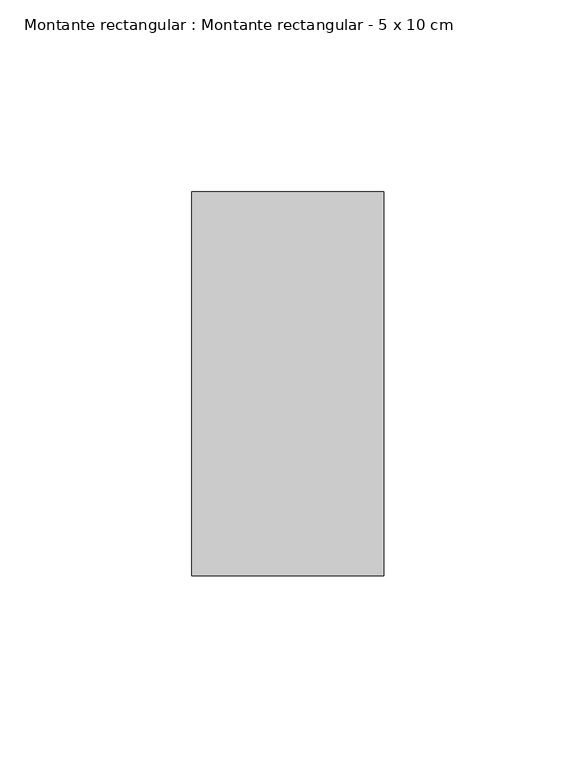
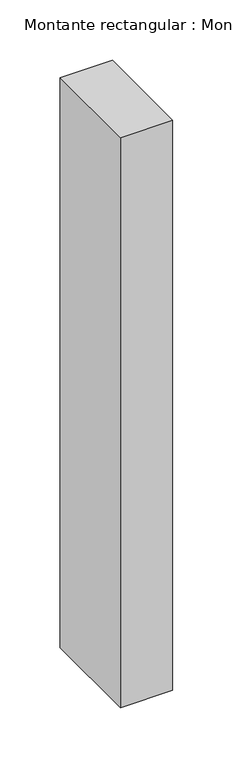
"""IFC4 building model written with IfcOpenShell, lengths in millimetres: member geometry, Montante rectangular : Montante rectangular - 5 x 10 cm."""

import ifcopenshell
import ifcopenshell.guid

model = None  # the IFC model being written
_history = None  # IfcOwnerHistory: only IFC2X3 demands one
_inside = {}  # id of a spatial element -> (the spatial element, [elements in it])
_under = {}  # id of a project, library or spatial element -> (it, [spatial elements below it])
_declared = {}  # id of a project -> (the project, [libraries it declares])
_typed = {}  # id of a type object -> (the type object, [elements of that type])
_made_of = {}  # id of a material, layer set ... -> (it, [elements and type objects made of it])


def new_model(schema):
    """Start an empty IFC model of exactly this schema.

    Asked for "IFC4X3", IfcOpenShell would pick the latest addendum, in which some entities
    have other attributes; the version numbers below select the first issue.
    IFC2X3 requires an IfcOwnerHistory on every rooted entity: one is made here for all.
    """
    global model, _history
    if schema == "IFC4X3":
        model = ifcopenshell.file(schema_version=(4, 3, 0, 0))
    else:
        model = ifcopenshell.file(schema=schema)
    _inside.clear()
    _under.clear()
    _declared.clear()
    _typed.clear()
    _made_of.clear()
    _history = None
    if model.schema == "IFC2X3":
        org = make("IfcOrganization", Name="unknown")
        user = make(
            "IfcPersonAndOrganization",
            ThePerson=make("IfcPerson", FamilyName="unknown"),
            TheOrganization=org,
        )
        app = make(
            "IfcApplication",
            ApplicationDeveloper=org,
            Version="unknown",
            ApplicationFullName="unknown",
            ApplicationIdentifier="unknown",
        )
        _history = make(
            "IfcOwnerHistory",
            OwningUser=user,
            OwningApplication=app,
            ChangeAction="ADDED",
            CreationDate=0,
        )
    return model


def make(cls, **values):
    """One entity of the class cls with the attributes given. An attribute that is None is left unset."""
    return model.create_entity(
        cls, **{name: value for name, value in values.items() if value is not None}
    )


def rooted(cls, **values):
    """An entity with a GlobalId (a new one), such as an element, a storey or a relation."""
    return make(cls, GlobalId=ifcopenshell.guid.new(), OwnerHistory=_history, **values)


def si_unit(unit_type, name, prefix=None):
    """IfcSIUnit, for example si_unit("LENGTHUNIT", "METRE", prefix="MILLI")."""
    return make("IfcSIUnit", UnitType=unit_type, Prefix=prefix, Name=name)


def assignment(units):
    """IfcUnitAssignment: the units of a project."""
    return None if units is None else make("IfcUnitAssignment", Units=units)


def point(xyz):
    """IfcCartesianPoint."""
    return None if xyz is None else make("IfcCartesianPoint", Coordinates=xyz)


def direction(xyz):
    """IfcDirection."""
    return None if xyz is None else make("IfcDirection", DirectionRatios=xyz)


def frame(location, z_axis=None, x_axis=None):
    """IfcAxis2Placement3D, a coordinate frame: its origin and axes. An axis left out is left unset."""
    return make(
        "IfcAxis2Placement3D",
        Location=point(location),
        Axis=direction(z_axis),
        RefDirection=direction(x_axis),
    )


def origin():
    """The frame at (0, 0, 0) with its axes left unset."""
    return frame((0.0, 0.0, 0.0))


def place(relative_to, where):
    """IfcLocalPlacement: puts the frame where relative to a parent placement (None: the world)."""
    return make(
        "IfcLocalPlacement", PlacementRelTo=relative_to, RelativePlacement=where
    )


def context(
    kind, dimensions, precision=None, world=None, true_north=None, identifier=None
):
    """IfcGeometricRepresentationContext, for example the 3D "Model" context."""
    return make(
        "IfcGeometricRepresentationContext",
        ContextIdentifier=identifier,
        ContextType=kind,
        CoordinateSpaceDimension=dimensions,
        Precision=precision,
        WorldCoordinateSystem=world,
        TrueNorth=true_north,
    )


def project(units=None, contexts=None):
    """IfcProject with its units and contexts."""
    return rooted(
        "IfcProject",
        Name="project",
        RepresentationContexts=contexts,
        UnitsInContext=assignment(units),
    )


def spatial(cls, under=None, at=None, **own):
    """A site, building, storey or space (cls), placed at a placement, below another one or the project."""
    s = rooted(cls, ObjectPlacement=at, **own)
    if under is not None:
        _under.setdefault(under.id(), (under, []))[1].append(s)
    return s


def polyline(points):
    """IfcPolyline through the points."""
    return make("IfcPolyline", Points=[point(p) for p in points])


def outline(outer, holes=None, kind="AREA"):
    """IfcArbitraryClosedProfileDef: a profile drawn as a closed curve; with holes, ...WithVoids."""
    if holes is None:
        return make("IfcArbitraryClosedProfileDef", ProfileType=kind, OuterCurve=outer)
    return make(
        "IfcArbitraryProfileDefWithVoids",
        ProfileType=kind,
        OuterCurve=outer,
        InnerCurves=holes,
    )


def extrude(swept, where, along, depth):
    """IfcExtrudedAreaSolid: the profile swept, set in the frame where, extruded along a direction by depth."""
    return make(
        "IfcExtrudedAreaSolid",
        SweptArea=swept,
        Position=where,
        ExtrudedDirection=direction(along),
        Depth=depth,
    )


def shape(context_of_items, identifier, shape_type, items):
    """IfcShapeRepresentation: the items that make up one representation, for example the "Body"."""
    return make(
        "IfcShapeRepresentation",
        ContextOfItems=context_of_items,
        RepresentationIdentifier=identifier,
        RepresentationType=shape_type,
        Items=items,
    )


def source(mapping_origin, context_of_items, identifier, shape_type, items):
    """IfcRepresentationMap: a shape defined once, which mapped items show again and again."""
    return make(
        "IfcRepresentationMap",
        MappingOrigin=mapping_origin,
        MappedRepresentation=shape(context_of_items, identifier, shape_type, items),
    )


def transform(
    local_origin,
    x_axis=None,
    y_axis=None,
    z_axis=None,
    scale=None,
    scale2=None,
    scale3=None,
    uniform=True,
):
    """IfcCartesianTransformationOperator3D, or its non-uniform kind. x_axis, y_axis, z_axis: its Axis1, 2, 3."""
    if uniform:
        return make(
            "IfcCartesianTransformationOperator3D",
            Axis1=direction(x_axis),
            Axis2=direction(y_axis),
            LocalOrigin=point(local_origin),
            Scale=scale,
            Axis3=direction(z_axis),
        )
    return make(
        "IfcCartesianTransformationOperator3DnonUniform",
        Axis1=direction(x_axis),
        Axis2=direction(y_axis),
        LocalOrigin=point(local_origin),
        Scale=scale,
        Axis3=direction(z_axis),
        Scale2=scale2,
        Scale3=scale3,
    )


def mapped(mapping_source, mapping_target):
    """IfcMappedItem: shows the shape of a source again, moved by a transform."""
    return make(
        "IfcMappedItem", MappingSource=mapping_source, MappingTarget=mapping_target
    )


def made_of(thing, what):
    """Note that an element or type object is made of a material, layer set ...; save() writes the relation."""
    if what is not None:
        _made_of.setdefault(what.id(), (what, []))[1].append(thing)
    return thing


def element(
    cls,
    number,
    at=None,
    inside=None,
    cuts=None,
    type_object=None,
    material=None,
    context=None,
    identifier="Body",
    shape_type=None,
    held_by="IfcProductDefinitionShape",
    body=None,
    shapes=None,
    **own,
):
    """One element of the class cls, such as IfcWall. Its Tag is "e" and its number.

    at: its placement. inside: the storey or other place that contains it. cuts: it is an
    opening in that element (IfcRelVoidsElement). A single representation is given by context,
    identifier, shape_type and body (its items); several are given by shapes. held_by: the class
    of the entity that holds the representations. save() writes the other relations.
    """
    e = rooted(cls, Tag="e%d" % number, ObjectPlacement=at, **own)
    if body is not None:
        shapes = [shape(context, identifier, shape_type, body)]
    if shapes is not None:
        e.Representation = make(held_by, Representations=shapes)
    if inside is not None:
        _inside.setdefault(inside.id(), (inside, []))[1].append(e)
    if cuts is not None:
        rooted(
            "IfcRelVoidsElement", RelatingBuildingElement=cuts, RelatedOpeningElement=e
        )
    if type_object is not None:
        _typed.setdefault(type_object.id(), (type_object, []))[1].append(e)
    return made_of(e, material)


def aggregate(whole, parts):
    """IfcRelAggregates: a whole, such as a stair, and the parts it consists of."""
    return rooted("IfcRelAggregates", RelatingObject=whole, RelatedObjects=parts)


def save(model, path):
    """Write the relations noted so far, then the file.

    IfcRelAggregates (storeys below a building ...), IfcRelContainedInSpatialStructure (elements
    in a storey), IfcRelDefinesByType, IfcRelAssociatesMaterial and IfcRelDeclares: one each for
    every whole, place, type object, material and project.
    """
    for whole, parts in _under.values():
        aggregate(whole, parts)
    for where, things in _inside.values():
        rooted(
            "IfcRelContainedInSpatialStructure",
            RelatedElements=things,
            RelatingStructure=where,
        )
    for kind, things in _typed.values():
        rooted("IfcRelDefinesByType", RelatedObjects=things, RelatingType=kind)
    for what, things in _made_of.values():
        rooted("IfcRelAssociatesMaterial", RelatedObjects=things, RelatingMaterial=what)
    for by, libraries in _declared.values():
        rooted("IfcRelDeclares", RelatingContext=by, RelatedDefinitions=libraries)
    model.write(path)


def montante_rectangular_montante_rectangular_5_x_10_cm_3b8f3e58(model_context):
    return source(origin(), model_context, "Body", "SweptSolid", [
        extrude(outline(polyline([(-50.0, 50.0), (0.0, 50.0), (0.0, -50.0), (-50.0, -50.0), (-50.0, 50.0)])), frame((0.0, 0.0, -577.0), z_axis=(0.0, 0.0, 1.0), x_axis=(1.0, 0.0, 0.0)), (0.0, 0.0, 1.0), 577.0),
    ])


if __name__ == "__main__":
    model = new_model("IFC4")
    model_context = context("Model", 3, world=origin())
    ifc_project = project(units=[si_unit("LENGTHUNIT", "METRE", prefix="MILLI")], contexts=[model_context])
    site = spatial("IfcSite", under=ifc_project)
    building = spatial("IfcBuilding", under=site)
    placement = place(None, origin())
    montante_rectangular_montante_rectangular_5_x_10_cm_shape = montante_rectangular_montante_rectangular_5_x_10_cm_3b8f3e58(model_context)
    element("IfcMember", 1, ObjectType="Montante rectangular : Montante rectangular - 5 x 10 cm", at=placement, inside=building, context=model_context, shape_type="MappedRepresentation", body=[
        mapped(montante_rectangular_montante_rectangular_5_x_10_cm_shape, transform((0.0, 0.0, 0.0), x_axis=(1.0, 0.0, 0.0), y_axis=(0.0, 1.0, 0.0), z_axis=(0.0, 0.0, 1.0))),
    ])
    save(model, "model.ifc")
